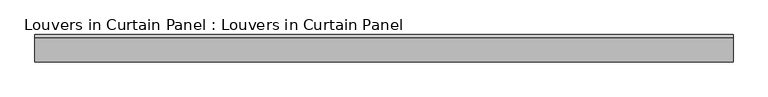
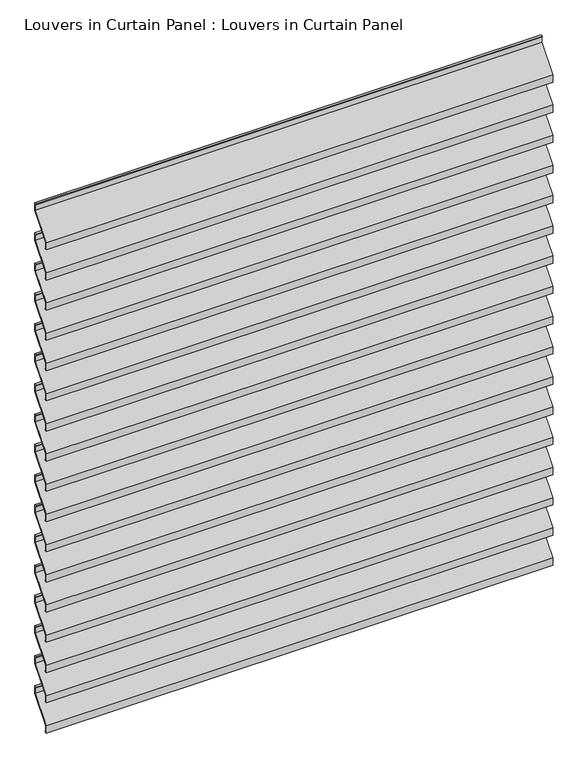
"""IFC4 building model written with IfcOpenShell, lengths in millimetres: plate geometry, Louvers in Curtain Panel : Louvers in Curtain Panel."""

import ifcopenshell
import ifcopenshell.guid

model = None  # the IFC model being written
_history = None  # IfcOwnerHistory: only IFC2X3 demands one
_inside = {}  # id of a spatial element -> (the spatial element, [elements in it])
_under = {}  # id of a project, library or spatial element -> (it, [spatial elements below it])
_declared = {}  # id of a project -> (the project, [libraries it declares])
_typed = {}  # id of a type object -> (the type object, [elements of that type])
_made_of = {}  # id of a material, layer set ... -> (it, [elements and type objects made of it])


def new_model(schema):
    """Start an empty IFC model of exactly this schema.

    Asked for "IFC4X3", IfcOpenShell would pick the latest addendum, in which some entities
    have other attributes; the version numbers below select the first issue.
    IFC2X3 requires an IfcOwnerHistory on every rooted entity: one is made here for all.
    """
    global model, _history
    if schema == "IFC4X3":
        model = ifcopenshell.file(schema_version=(4, 3, 0, 0))
    else:
        model = ifcopenshell.file(schema=schema)
    _inside.clear()
    _under.clear()
    _declared.clear()
    _typed.clear()
    _made_of.clear()
    _history = None
    if model.schema == "IFC2X3":
        org = make("IfcOrganization", Name="unknown")
        user = make(
            "IfcPersonAndOrganization",
            ThePerson=make("IfcPerson", FamilyName="unknown"),
            TheOrganization=org,
        )
        app = make(
            "IfcApplication",
            ApplicationDeveloper=org,
            Version="unknown",
            ApplicationFullName="unknown",
            ApplicationIdentifier="unknown",
        )
        _history = make(
            "IfcOwnerHistory",
            OwningUser=user,
            OwningApplication=app,
            ChangeAction="ADDED",
            CreationDate=0,
        )
    return model


def make(cls, **values):
    """One entity of the class cls with the attributes given. An attribute that is None is left unset."""
    return model.create_entity(
        cls, **{name: value for name, value in values.items() if value is not None}
    )


def rooted(cls, **values):
    """An entity with a GlobalId (a new one), such as an element, a storey or a relation."""
    return make(cls, GlobalId=ifcopenshell.guid.new(), OwnerHistory=_history, **values)


def si_unit(unit_type, name, prefix=None):
    """IfcSIUnit, for example si_unit("LENGTHUNIT", "METRE", prefix="MILLI")."""
    return make("IfcSIUnit", UnitType=unit_type, Prefix=prefix, Name=name)


def assignment(units):
    """IfcUnitAssignment: the units of a project."""
    return None if units is None else make("IfcUnitAssignment", Units=units)


def point(xyz):
    """IfcCartesianPoint."""
    return None if xyz is None else make("IfcCartesianPoint", Coordinates=xyz)


def direction(xyz):
    """IfcDirection."""
    return None if xyz is None else make("IfcDirection", DirectionRatios=xyz)


def frame(location, z_axis=None, x_axis=None):
    """IfcAxis2Placement3D, a coordinate frame: its origin and axes. An axis left out is left unset."""
    return make(
        "IfcAxis2Placement3D",
        Location=point(location),
        Axis=direction(z_axis),
        RefDirection=direction(x_axis),
    )


def origin():
    """The frame at (0, 0, 0) with its axes left unset."""
    return frame((0.0, 0.0, 0.0))


def place(relative_to, where):
    """IfcLocalPlacement: puts the frame where relative to a parent placement (None: the world)."""
    return make(
        "IfcLocalPlacement", PlacementRelTo=relative_to, RelativePlacement=where
    )


def context(
    kind, dimensions, precision=None, world=None, true_north=None, identifier=None
):
    """IfcGeometricRepresentationContext, for example the 3D "Model" context."""
    return make(
        "IfcGeometricRepresentationContext",
        ContextIdentifier=identifier,
        ContextType=kind,
        CoordinateSpaceDimension=dimensions,
        Precision=precision,
        WorldCoordinateSystem=world,
        TrueNorth=true_north,
    )


def project(units=None, contexts=None):
    """IfcProject with its units and contexts."""
    return rooted(
        "IfcProject",
        Name="project",
        RepresentationContexts=contexts,
        UnitsInContext=assignment(units),
    )


def spatial(cls, under=None, at=None, **own):
    """A site, building, storey or space (cls), placed at a placement, below another one or the project."""
    s = rooted(cls, ObjectPlacement=at, **own)
    if under is not None:
        _under.setdefault(under.id(), (under, []))[1].append(s)
    return s


def polyline(points):
    """IfcPolyline through the points."""
    return make("IfcPolyline", Points=[point(p) for p in points])


def outline(outer, holes=None, kind="AREA"):
    """IfcArbitraryClosedProfileDef: a profile drawn as a closed curve; with holes, ...WithVoids."""
    if holes is None:
        return make("IfcArbitraryClosedProfileDef", ProfileType=kind, OuterCurve=outer)
    return make(
        "IfcArbitraryProfileDefWithVoids",
        ProfileType=kind,
        OuterCurve=outer,
        InnerCurves=holes,
    )


def extrude(swept, where, along, depth):
    """IfcExtrudedAreaSolid: the profile swept, set in the frame where, extruded along a direction by depth."""
    return make(
        "IfcExtrudedAreaSolid",
        SweptArea=swept,
        Position=where,
        ExtrudedDirection=direction(along),
        Depth=depth,
    )


def shape(context_of_items, identifier, shape_type, items):
    """IfcShapeRepresentation: the items that make up one representation, for example the "Body"."""
    return make(
        "IfcShapeRepresentation",
        ContextOfItems=context_of_items,
        RepresentationIdentifier=identifier,
        RepresentationType=shape_type,
        Items=items,
    )


def source(mapping_origin, context_of_items, identifier, shape_type, items):
    """IfcRepresentationMap: a shape defined once, which mapped items show again and again."""
    return make(
        "IfcRepresentationMap",
        MappingOrigin=mapping_origin,
        MappedRepresentation=shape(context_of_items, identifier, shape_type, items),
    )


def transform(
    local_origin,
    x_axis=None,
    y_axis=None,
    z_axis=None,
    scale=None,
    scale2=None,
    scale3=None,
    uniform=True,
):
    """IfcCartesianTransformationOperator3D, or its non-uniform kind. x_axis, y_axis, z_axis: its Axis1, 2, 3."""
    if uniform:
        return make(
            "IfcCartesianTransformationOperator3D",
            Axis1=direction(x_axis),
            Axis2=direction(y_axis),
            LocalOrigin=point(local_origin),
            Scale=scale,
            Axis3=direction(z_axis),
        )
    return make(
        "IfcCartesianTransformationOperator3DnonUniform",
        Axis1=direction(x_axis),
        Axis2=direction(y_axis),
        LocalOrigin=point(local_origin),
        Scale=scale,
        Axis3=direction(z_axis),
        Scale2=scale2,
        Scale3=scale3,
    )


def mapped(mapping_source, mapping_target):
    """IfcMappedItem: shows the shape of a source again, moved by a transform."""
    return make(
        "IfcMappedItem", MappingSource=mapping_source, MappingTarget=mapping_target
    )


def made_of(thing, what):
    """Note that an element or type object is made of a material, layer set ...; save() writes the relation."""
    if what is not None:
        _made_of.setdefault(what.id(), (what, []))[1].append(thing)
    return thing


def element(
    cls,
    number,
    at=None,
    inside=None,
    cuts=None,
    type_object=None,
    material=None,
    context=None,
    identifier="Body",
    shape_type=None,
    held_by="IfcProductDefinitionShape",
    body=None,
    shapes=None,
    **own,
):
    """One element of the class cls, such as IfcWall. Its Tag is "e" and its number.

    at: its placement. inside: the storey or other place that contains it. cuts: it is an
    opening in that element (IfcRelVoidsElement). A single representation is given by context,
    identifier, shape_type and body (its items); several are given by shapes. held_by: the class
    of the entity that holds the representations. save() writes the other relations.
    """
    e = rooted(cls, Tag="e%d" % number, ObjectPlacement=at, **own)
    if body is not None:
        shapes = [shape(context, identifier, shape_type, body)]
    if shapes is not None:
        e.Representation = make(held_by, Representations=shapes)
    if inside is not None:
        _inside.setdefault(inside.id(), (inside, []))[1].append(e)
    if cuts is not None:
        rooted(
            "IfcRelVoidsElement", RelatingBuildingElement=cuts, RelatedOpeningElement=e
        )
    if type_object is not None:
        _typed.setdefault(type_object.id(), (type_object, []))[1].append(e)
    return made_of(e, material)


def aggregate(whole, parts):
    """IfcRelAggregates: a whole, such as a stair, and the parts it consists of."""
    return rooted("IfcRelAggregates", RelatingObject=whole, RelatedObjects=parts)


def save(model, path):
    """Write the relations noted so far, then the file.

    IfcRelAggregates (storeys below a building ...), IfcRelContainedInSpatialStructure (elements
    in a storey), IfcRelDefinesByType, IfcRelAssociatesMaterial and IfcRelDeclares: one each for
    every whole, place, type object, material and project.
    """
    for whole, parts in _under.values():
        aggregate(whole, parts)
    for where, things in _inside.values():
        rooted(
            "IfcRelContainedInSpatialStructure",
            RelatedElements=things,
            RelatingStructure=where,
        )
    for kind, things in _typed.values():
        rooted("IfcRelDefinesByType", RelatedObjects=things, RelatingType=kind)
    for what, things in _made_of.values():
        rooted("IfcRelAssociatesMaterial", RelatedObjects=things, RelatingMaterial=what)
    for by, libraries in _declared.values():
        rooted("IfcRelDeclares", RelatingContext=by, RelatedDefinitions=libraries)
    model.write(path)


def louvers_in_curtain_panel_louvers_in_curtain_panel_e0ebd139(model_context):
    return source(origin(), model_context, "Body", "SweptSolid", [
        extrude(outline(polyline([(22.621875, 1579.4294063), (22.621875, 1561.1731563), (-22.621875, 1507.9919063), (-22.621875, 1492.1169063), (-19.446875, 1492.1169063), (-19.446875, 1490.5294063), (-24.209375, 1490.5294063), (-24.209375, 1508.7856563), (21.034375, 1561.9669063), (21.034375, 1577.8419063), (17.859375, 1577.8419063), (17.859375, 1579.4294063), (22.621875, 1579.4294063)])), frame((-596.9, 0.0, 0.0), z_axis=(1.0, 0.0, 0.0), x_axis=(0.0, 1.0, 0.0)), (0.0, 0.0, 1.0), 1193.8),
        extrude(outline(polyline([(22.621875, 1504.2172376), (22.621875, 1485.9609876), (-22.621875, 1432.7797376), (-22.621875, 1416.9047376), (-19.446875, 1416.9047376), (-19.446875, 1415.3172376), (-24.209375, 1415.3172376), (-24.209375, 1433.5734876), (21.034375, 1486.7547376), (21.034375, 1502.6297376), (17.859375, 1502.6297376), (17.859375, 1504.2172376), (22.621875, 1504.2172376)])), frame((-596.9, 0.0, 0.0), z_axis=(1.0, 0.0, 0.0), x_axis=(0.0, 1.0, 0.0)), (0.0, 0.0, 1.0), 1193.8),
        extrude(outline(polyline([(22.621875, 1429.0050688), (22.621875, 1410.7488188), (-22.621875, 1357.5675688), (-22.621875, 1341.6925688), (-19.446875, 1341.6925688), (-19.446875, 1340.1050688), (-24.209375, 1340.1050688), (-24.209375, 1358.3613188), (21.034375, 1411.5425688), (21.034375, 1427.4175688), (17.859375, 1427.4175688), (17.859375, 1429.0050688), (22.621875, 1429.0050688)])), frame((-596.9, 0.0, 0.0), z_axis=(1.0, 0.0, 0.0), x_axis=(0.0, 1.0, 0.0)), (0.0, 0.0, 1.0), 1193.8),
        extrude(outline(polyline([(22.621875, 1353.7929001), (22.621875, 1335.5366501), (-22.621875, 1282.3554001), (-22.621875, 1266.4804001), (-19.446875, 1266.4804001), (-19.446875, 1264.8929001), (-24.209375, 1264.8929001), (-24.209375, 1283.1491501), (21.034375, 1336.3304001), (21.034375, 1352.2054001), (17.859375, 1352.2054001), (17.859375, 1353.7929001), (22.621875, 1353.7929001)])), frame((-596.9, 0.0, 0.0), z_axis=(1.0, 0.0, 0.0), x_axis=(0.0, 1.0, 0.0)), (0.0, 0.0, 1.0), 1193.8),
        extrude(outline(polyline([(22.621875, 1278.5807313), (22.621875, 1260.3244813), (-22.621875, 1207.1432313), (-22.621875, 1191.2682313), (-19.446875, 1191.2682313), (-19.446875, 1189.6807313), (-24.209375, 1189.6807313), (-24.209375, 1207.9369813), (21.034375, 1261.1182313), (21.034375, 1276.9932313), (17.859375, 1276.9932313), (17.859375, 1278.5807313), (22.621875, 1278.5807313)])), frame((-596.9, 0.0, 0.0), z_axis=(1.0, 0.0, 0.0), x_axis=(0.0, 1.0, 0.0)), (0.0, 0.0, 1.0), 1193.8),
        extrude(outline(polyline([(22.621875, 1203.3685626), (22.621875, 1185.1123126), (-22.621875, 1131.9310626), (-22.621875, 1116.0560626), (-19.446875, 1116.0560626), (-19.446875, 1114.4685626), (-24.209375, 1114.4685626), (-24.209375, 1132.7248126), (21.034375, 1185.9060626), (21.034375, 1201.7810626), (17.859375, 1201.7810626), (17.859375, 1203.3685626), (22.621875, 1203.3685626)])), frame((-596.9, 0.0, 0.0), z_axis=(1.0, 0.0, 0.0), x_axis=(0.0, 1.0, 0.0)), (0.0, 0.0, 1.0), 1193.8),
        extrude(outline(polyline([(22.621875, 1128.1563938), (22.621875, 1109.9001438), (-22.621875, 1056.7188938), (-22.621875, 1040.8438938), (-19.446875, 1040.8438938), (-19.446875, 1039.2563938), (-24.209375, 1039.2563938), (-24.209375, 1057.5126438), (21.034375, 1110.6938938), (21.034375, 1126.5688938), (17.859375, 1126.5688938), (17.859375, 1128.1563938), (22.621875, 1128.1563938)])), frame((-596.9, 0.0, 0.0), z_axis=(1.0, 0.0, 0.0), x_axis=(0.0, 1.0, 0.0)), (0.0, 0.0, 1.0), 1193.8),
        extrude(outline(polyline([(22.621875, 1052.944225), (22.621875, 1034.687975), (-22.621875, 981.506725), (-22.621875, 965.631725), (-19.446875, 965.631725), (-19.446875, 964.044225), (-24.209375, 964.044225), (-24.209375, 982.300475), (21.034375, 1035.481725), (21.034375, 1051.356725), (17.859375, 1051.356725), (17.859375, 1052.944225), (22.621875, 1052.944225)])), frame((-596.9, 0.0, 0.0), z_axis=(1.0, 0.0, 0.0), x_axis=(0.0, 1.0, 0.0)), (0.0, 0.0, 1.0), 1193.8),
        extrude(outline(polyline([(22.621875, 977.7320563), (22.621875, 959.4758063), (-22.621875, 906.2945563), (-22.621875, 890.4195563), (-19.446875, 890.4195563), (-19.446875, 888.8320563), (-24.209375, 888.8320563), (-24.209375, 907.0883063), (21.034375, 960.2695563), (21.034375, 976.1445563), (17.859375, 976.1445563), (17.859375, 977.7320563), (22.621875, 977.7320563)])), frame((-596.9, 0.0, 0.0), z_axis=(1.0, 0.0, 0.0), x_axis=(0.0, 1.0, 0.0)), (0.0, 0.0, 1.0), 1193.8),
        extrude(outline(polyline([(22.621875, 902.5198875), (22.621875, 884.2636375), (-22.621875, 831.0823875), (-22.621875, 815.2073875), (-19.446875, 815.2073875), (-19.446875, 813.6198875), (-24.209375, 813.6198875), (-24.209375, 831.8761375), (21.034375, 885.0573875), (21.034375, 900.9323875), (17.859375, 900.9323875), (17.859375, 902.5198875), (22.621875, 902.5198875)])), frame((-596.9, 0.0, 0.0), z_axis=(1.0, 0.0, 0.0), x_axis=(0.0, 1.0, 0.0)), (0.0, 0.0, 1.0), 1193.8),
        extrude(outline(polyline([(22.621875, 827.3077188), (22.621875, 809.0514688), (-22.621875, 755.8702188), (-22.621875, 739.9952188), (-19.446875, 739.9952188), (-19.446875, 738.4077188), (-24.209375, 738.4077188), (-24.209375, 756.6639688), (21.034375, 809.8452188), (21.034375, 825.7202188), (17.859375, 825.7202188), (17.859375, 827.3077188), (22.621875, 827.3077188)])), frame((-596.9, 0.0, 0.0), z_axis=(1.0, 0.0, 0.0), x_axis=(0.0, 1.0, 0.0)), (0.0, 0.0, 1.0), 1193.8),
        extrude(outline(polyline([(22.621875, 752.09555), (22.621875, 733.8393), (-22.621875, 680.65805), (-22.621875, 664.78305), (-19.446875, 664.78305), (-19.446875, 663.19555), (-24.209375, 663.19555), (-24.209375, 681.4518), (21.034375, 734.63305), (21.034375, 750.50805), (17.859375, 750.50805), (17.859375, 752.09555), (22.621875, 752.09555)])), frame((-596.9, 0.0, 0.0), z_axis=(1.0, 0.0, 0.0), x_axis=(0.0, 1.0, 0.0)), (0.0, 0.0, 1.0), 1193.8),
        extrude(outline(polyline([(22.621875, 676.8833813), (22.621875, 658.6271313), (-22.621875, 605.4458813), (-22.621875, 589.5708813), (-19.446875, 589.5708813), (-19.446875, 587.9833813), (-24.209375, 587.9833813), (-24.209375, 606.2396313), (21.034375, 659.4208813), (21.034375, 675.2958813), (17.859375, 675.2958813), (17.859375, 676.8833813), (22.621875, 676.8833813)])), frame((-596.9, 0.0, 0.0), z_axis=(1.0, 0.0, 0.0), x_axis=(0.0, 1.0, 0.0)), (0.0, 0.0, 1.0), 1193.8),
        extrude(outline(polyline([(22.621875, 601.6712125), (22.621875, 583.4149625), (-22.621875, 530.2337125), (-22.621875, 514.3587125), (-19.446875, 514.3587125), (-19.446875, 512.7712125), (-24.209375, 512.7712125), (-24.209375, 531.0274625), (21.034375, 584.2087125), (21.034375, 600.0837125), (17.859375, 600.0837125), (17.859375, 601.6712125), (22.621875, 601.6712125)])), frame((-596.9, 0.0, 0.0), z_axis=(1.0, 0.0, 0.0), x_axis=(0.0, 1.0, 0.0)), (0.0, 0.0, 1.0), 1193.8),
        extrude(outline(polyline([(22.621875, 526.4590438), (22.621875, 508.2027938), (-22.621875, 455.0215438), (-22.621875, 439.1465438), (-19.446875, 439.1465438), (-19.446875, 437.5590438), (-24.209375, 437.5590438), (-24.209375, 455.8152938), (21.034375, 508.9965438), (21.034375, 524.8715438), (17.859375, 524.8715438), (17.859375, 526.4590438), (22.621875, 526.4590438)])), frame((-596.9, 0.0, 0.0), z_axis=(1.0, 0.0, 0.0), x_axis=(0.0, 1.0, 0.0)), (0.0, 0.0, 1.0), 1193.8),
        extrude(outline(polyline([(22.621875, 1654.6415751), (22.621875, 1636.3853251), (-22.621875, 1583.2040751), (-22.621875, 1567.3290751), (-19.446875, 1567.3290751), (-19.446875, 1565.7415751), (-24.209375, 1565.7415751), (-24.209375, 1583.9978251), (21.034375, 1637.1790751), (21.034375, 1653.0540751), (17.859375, 1653.0540751), (17.859375, 1654.6415751), (22.621875, 1654.6415751)])), frame((-596.9, 0.0, 0.0), z_axis=(1.0, 0.0, 0.0), x_axis=(0.0, 1.0, 0.0)), (0.0, 0.0, 1.0), 1193.8),
        extrude(outline(polyline([(22.621875, 451.246875), (22.621875, 432.990625), (-22.621875, 379.809375), (-22.621875, 363.934375), (-19.446875, 363.934375), (-19.446875, 362.346875), (-24.209375, 362.346875), (-24.209375, 380.603125), (21.034375, 433.784375), (21.034375, 449.659375), (17.859375, 449.659375), (17.859375, 451.246875), (22.621875, 451.246875)])), frame((-596.9, 0.0, 0.0), z_axis=(1.0, 0.0, 0.0), x_axis=(0.0, 1.0, 0.0)), (0.0, 0.0, 1.0), 1193.8),
    ])


if __name__ == "__main__":
    model = new_model("IFC4")
    model_context = context("Model", 3, world=origin())
    ifc_project = project(units=[si_unit("LENGTHUNIT", "METRE", prefix="MILLI")], contexts=[model_context])
    site = spatial("IfcSite", under=ifc_project)
    building = spatial("IfcBuilding", under=site)
    placement = place(None, origin())
    louvers_in_curtain_panel_louvers_in_curtain_panel_shape = louvers_in_curtain_panel_louvers_in_curtain_panel_e0ebd139(model_context)
    element("IfcPlate", 1, ObjectType="Louvers in Curtain Panel : Louvers in Curtain Panel", at=placement, inside=building, context=model_context, shape_type="MappedRepresentation", body=[
        mapped(louvers_in_curtain_panel_louvers_in_curtain_panel_shape, transform((0.0, 0.0, 0.0), x_axis=(1.0, 0.0, 0.0), y_axis=(0.0, 1.0, 0.0), z_axis=(0.0, 0.0, 1.0))),
    ])
    save(model, "model.ifc")
